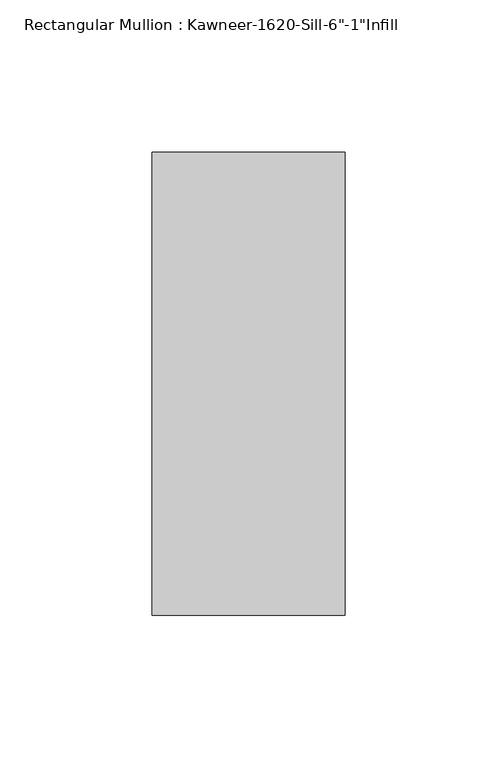
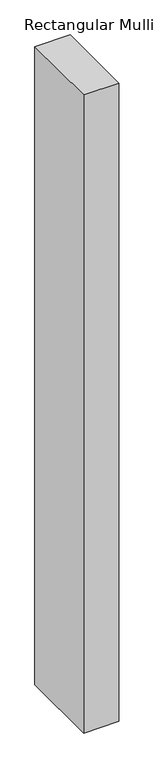
"""IFC4 building model written with IfcOpenShell, lengths in millimetres: member geometry."""

from ifc_helpers import new_model, si_unit, frame, origin, place, context, project, spatial, polyline, outline, extrude, source, transform, mapped, element, save


def member_2ec08595(model_context):
    return source(origin(), model_context, "Body", "SweptSolid", [
        extrude(outline(polyline([(-63.5, 38.1), (0.0, 38.1), (0.0, -114.3), (-63.5, -114.3), (-63.5, 38.1)])), frame((0.0, 0.0, -1219.2), z_axis=(0.0, 0.0, 1.0), x_axis=(1.0, 0.0, 0.0)), (0.0, 0.0, 1.0), 1219.2),
    ])


if __name__ == "__main__":
    model = new_model("IFC4")
    model_context = context("Model", 3, world=origin())
    ifc_project = project(units=[si_unit("LENGTHUNIT", "METRE", prefix="MILLI")], contexts=[model_context])
    site = spatial("IfcSite", under=ifc_project)
    building = spatial("IfcBuilding", under=site)
    placement = place(None, origin())
    member_shape = member_2ec08595(model_context)
    element("IfcMember", 1, ObjectType="Rectangular Mullion : Kawneer-1620-Sill-6\"-1\"Infill", at=placement, inside=building, context=model_context, shape_type="MappedRepresentation", body=[
        mapped(member_shape, transform((0.0, 0.0, 0.0), x_axis=(1.0, 0.0, 0.0), y_axis=(0.0, 1.0, 0.0), z_axis=(0.0, 0.0, 1.0))),
    ])
    save(model, "model.ifc")
